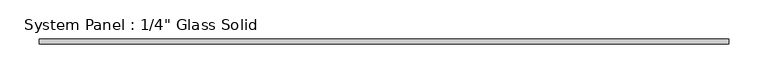
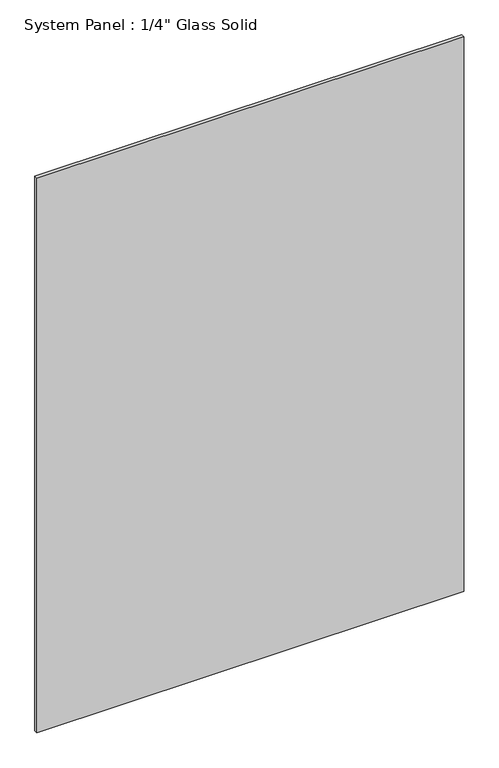
"""IFC4 building model written with IfcOpenShell, lengths in millimetres: plate geometry."""

from ifc_helpers import new_model, si_unit, origin, origin_with_axes, place, context, project, spatial, polyline, outline, extrude, source, transform, mapped, element, save


def plate_1663f8b6(model_context):
    return source(origin(), model_context, "Body", "SweptSolid", [
        extrude(outline(polyline([(436.5633852, -3.175), (-436.5633852, -3.175), (-436.5633852, 3.175), (436.5633852, 3.175), (436.5633852, -3.175)])), origin_with_axes(), (0.0, 0.0, 1.0), 1200.1517704),
    ])


if __name__ == "__main__":
    model = new_model("IFC4")
    model_context = context("Model", 3, world=origin())
    ifc_project = project(units=[si_unit("LENGTHUNIT", "METRE", prefix="MILLI")], contexts=[model_context])
    site = spatial("IfcSite", under=ifc_project)
    building = spatial("IfcBuilding", under=site)
    placement = place(None, origin())
    plate_shape = plate_1663f8b6(model_context)
    element("IfcPlate", 1, ObjectType="System Panel : 1/4\" Glass Solid", at=placement, inside=building, context=model_context, shape_type="MappedRepresentation", body=[
        mapped(plate_shape, transform((0.0, 0.0, 0.0), x_axis=(1.0, 0.0, 0.0), y_axis=(0.0, 1.0, 0.0), z_axis=(0.0, 0.0, 1.0))),
    ])
    save(model, "model.ifc")
